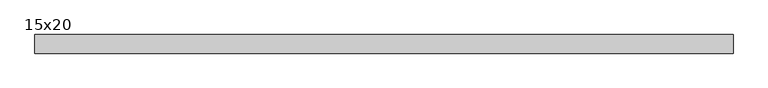
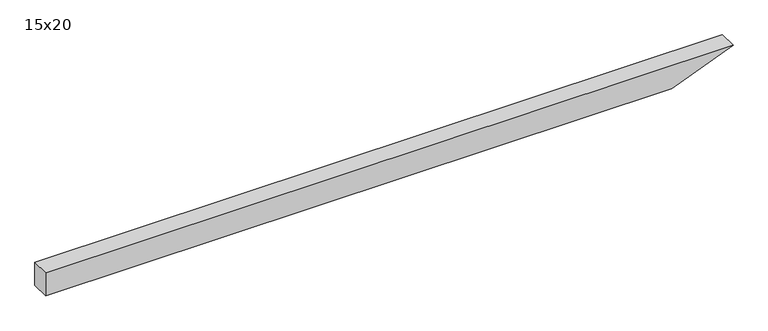
"""IFC4 building model written with IfcOpenShell, lengths in millimetres: beam geometry, 15x20."""

from ifc_helpers import new_model, si_unit, frame, origin, place, context, project, spatial, polyline, outline, extrude, source, transform, mapped, element, save


def beam_15x20_0baa36f0(model_context):
    return source(origin(), model_context, "Body", "SweptSolid", [
        extrude(outline(polyline([(100.0, -2672.5), (-100.0, -2672.5), (-100.0, 2440.3), (100.0, 2942.5), (100.0, -2672.5)])), frame((0.0, -75.0, 0.0), z_axis=(0.0, 1.0, 0.0), x_axis=(0.0, 0.0, 1.0)), (0.0, 0.0, 1.0), 150.0),
    ])


if __name__ == "__main__":
    model = new_model("IFC4")
    model_context = context("Model", 3, world=origin())
    ifc_project = project(units=[si_unit("LENGTHUNIT", "METRE", prefix="MILLI")], contexts=[model_context])
    site = spatial("IfcSite", under=ifc_project)
    building = spatial("IfcBuilding", under=site)
    placement = place(None, origin())
    beam_15x20_shape = beam_15x20_0baa36f0(model_context)
    element("IfcBeam", 1, ObjectType="15x20", at=placement, inside=building, context=model_context, shape_type="MappedRepresentation", body=[
        mapped(beam_15x20_shape, transform((0.0, 0.0, 0.0), x_axis=(1.0, 0.0, 0.0), y_axis=(0.0, 1.0, 0.0), z_axis=(0.0, 0.0, 1.0))),
    ])
    save(model, "model.ifc")
